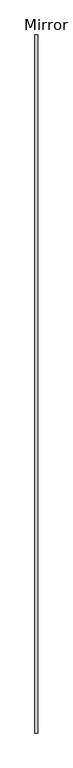
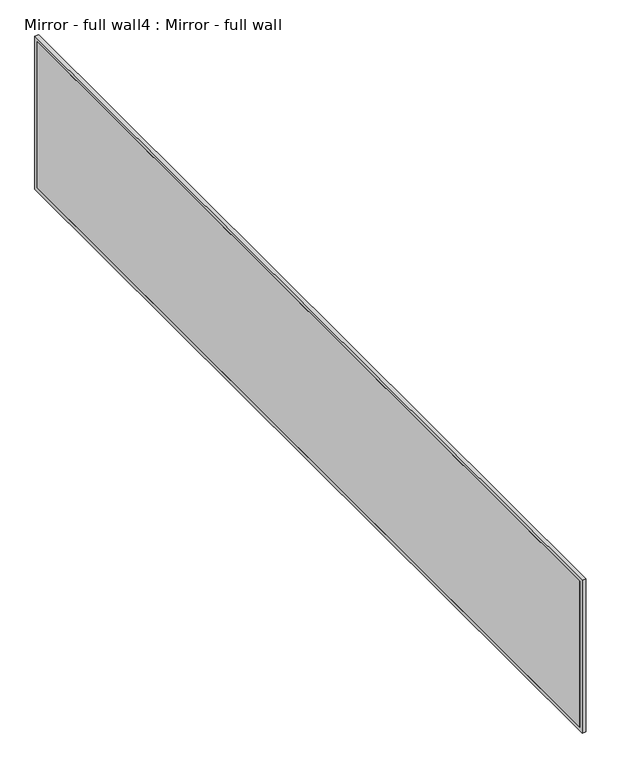
"""IFC4 building model written with IfcOpenShell, lengths in millimetres: proxy geometry, Mirror - full wall4 : Mirror - full wall."""

from ifc_helpers import new_model, si_unit, frame, origin, place, context, project, spatial, polyline, outline, extrude, source, transform, mapped, element, save


def mirror_full_wall4_mirror_full_wall_7f16995a(model_context):
    return source(origin(), model_context, "Body", "SweptSolid", [
        extrude(outline(polyline([(455020.1504676, -327027.2191335), (455020.1504676, -333531.4192992), (455007.4504676, -333531.4192992), (455007.4504676, -327027.2191335), (455020.1504676, -327027.2191335)])), frame((0.0, 0.0, 1041.4), z_axis=(0.0, 0.0, 1.0), x_axis=(1.0, 0.0, 0.0)), (0.0, 0.0, 1.0), 1066.8),
        extrude(outline(polyline([(-327001.8191335, 2133.6), (-327001.8191335, 1016.0), (-333557.4221716, 1016.0), (-333557.4221716, 2133.6), (-327001.8191335, 2133.6)]), holes=[polyline([(-327027.2191335, 2108.2), (-333531.4192992, 2108.2), (-333531.4192992, 1041.4), (-327027.2191335, 1041.4), (-327027.2191335, 2108.2)])]), frame((455007.4504676, 0.0, 0.0), z_axis=(1.0, 0.0, 0.0), x_axis=(0.0, 1.0, 0.0)), (0.0, 0.0, 1.0), 25.4),
    ])


if __name__ == "__main__":
    model = new_model("IFC4")
    model_context = context("Model", 3, world=origin())
    ifc_project = project(units=[si_unit("LENGTHUNIT", "METRE", prefix="MILLI")], contexts=[model_context])
    site = spatial("IfcSite", under=ifc_project)
    building = spatial("IfcBuilding", under=site)
    placement = place(None, origin())
    mirror_full_wall4_mirror_full_wall_shape = mirror_full_wall4_mirror_full_wall_7f16995a(model_context)
    element("IfcBuildingElementProxy", 1, Name="Mirror - full wall4 : Mirror - full wall", ObjectType="Mirror - full wall4 : Mirror - full wall", at=placement, inside=building, context=model_context, shape_type="MappedRepresentation", body=[
        mapped(mirror_full_wall4_mirror_full_wall_shape, transform((0.0, 0.0, 0.0), x_axis=(1.0, 0.0, 0.0), y_axis=(0.0, 1.0, 0.0), z_axis=(0.0, 0.0, 1.0))),
    ])
    save(model, "model.ifc")
